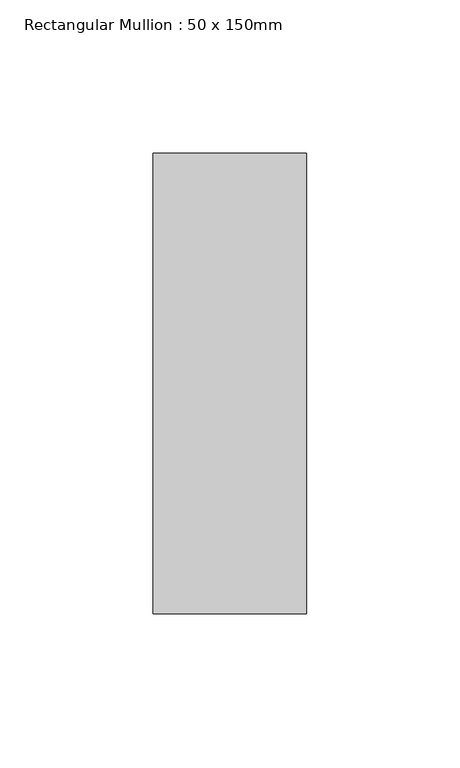
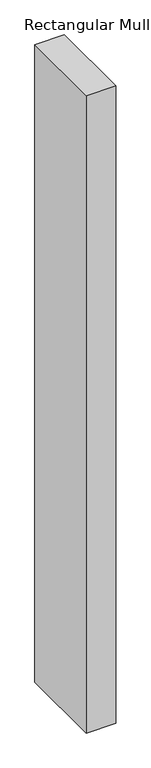
"""IFC4 building model written with IfcOpenShell, lengths in millimetres: member geometry, Rectangular Mullion : 50 x 150mm."""

from ifc_helpers import new_model, si_unit, frame, origin, place, context, project, spatial, polyline, outline, extrude, source, transform, mapped, element, save


def rectangular_mullion_50_x_150mm_9840c17a(model_context):
    return source(origin(), model_context, "Body", "SweptSolid", [
        extrude(outline(polyline([(0.0, 75.0), (0.0, -75.0), (-50.0, -75.0), (-50.0, 75.0), (0.0, 75.0)])), frame((0.0, 0.0, -1140.8204853), z_axis=(0.0, 0.0, 1.0), x_axis=(1.0, 0.0, 0.0)), (0.0, 0.0, 1.0), 1140.8204853),
    ])


if __name__ == "__main__":
    model = new_model("IFC4")
    model_context = context("Model", 3, world=origin())
    ifc_project = project(units=[si_unit("LENGTHUNIT", "METRE", prefix="MILLI")], contexts=[model_context])
    site = spatial("IfcSite", under=ifc_project)
    building = spatial("IfcBuilding", under=site)
    placement = place(None, origin())
    rectangular_mullion_50_x_150mm_shape = rectangular_mullion_50_x_150mm_9840c17a(model_context)
    element("IfcMember", 1, ObjectType="Rectangular Mullion : 50 x 150mm", at=placement, inside=building, context=model_context, shape_type="MappedRepresentation", body=[
        mapped(rectangular_mullion_50_x_150mm_shape, transform((0.0, 0.0, 0.0), x_axis=(1.0, 0.0, 0.0), y_axis=(0.0, 1.0, 0.0), z_axis=(0.0, 0.0, 1.0))),
    ])
    save(model, "model.ifc")
